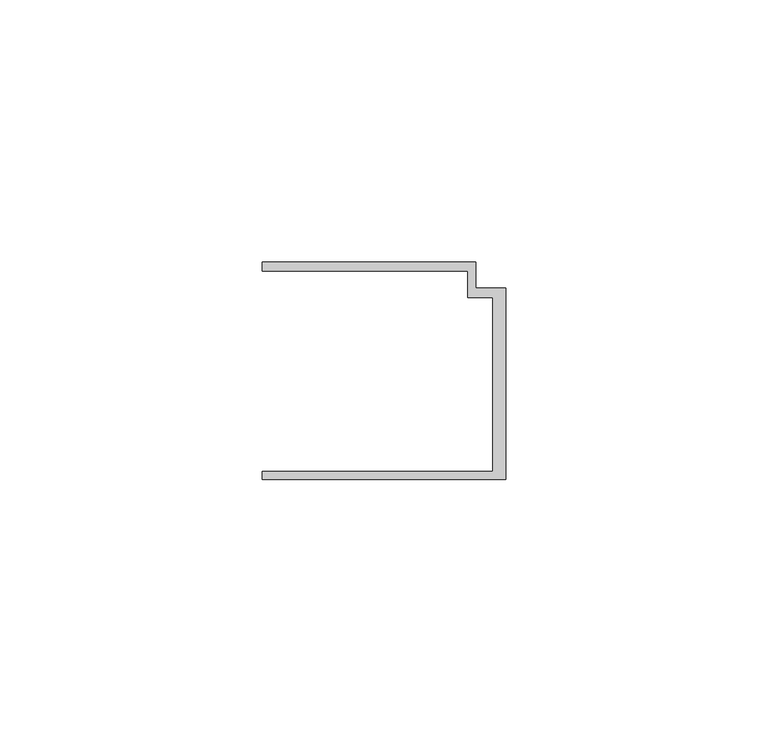
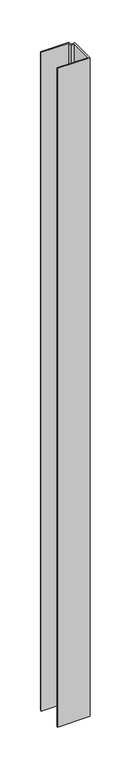
"""IFC4 building model written with IfcOpenShell, lengths in millimetres: member geometry."""

from ifc_helpers import new_model, si_unit, frame, origin, place, context, project, spatial, polyline, outline, extrude, source, transform, mapped, element, save


def member_6302a805(model_context):
    return source(origin(), model_context, "Body", "SweptSolid", [
        extrude(outline(polyline([(-46.3, -19.2), (-2.4, -19.2), (-2.4, 14.0), (-7.2, 14.0), (-7.2, 19.0), (-46.3, 19.0), (-46.3, 20.7), (-5.6999992, 20.7), (-5.6999992, 15.8), (0.0, 15.8), (0.0, -20.7), (-46.3, -20.7), (-46.3, -19.2)])), frame((0.0, 0.0, -985.9001021), z_axis=(0.0, 0.0, 1.0), x_axis=(1.0, 0.0, 0.0)), (0.0, 0.0, 1.0), 985.9001021),
    ])


if __name__ == "__main__":
    model = new_model("IFC4")
    model_context = context("Model", 3, world=origin())
    ifc_project = project(units=[si_unit("LENGTHUNIT", "METRE", prefix="MILLI")], contexts=[model_context])
    site = spatial("IfcSite", under=ifc_project)
    building = spatial("IfcBuilding", under=site)
    placement = place(None, origin())
    member_shape = member_6302a805(model_context)
    element("IfcMember", 1, at=placement, inside=building, context=model_context, shape_type="MappedRepresentation", body=[
        mapped(member_shape, transform((0.0, 0.0, 0.0), x_axis=(1.0, 0.0, 0.0), y_axis=(0.0, 1.0, 0.0), z_axis=(0.0, 0.0, 1.0))),
    ])
    save(model, "model.ifc")
